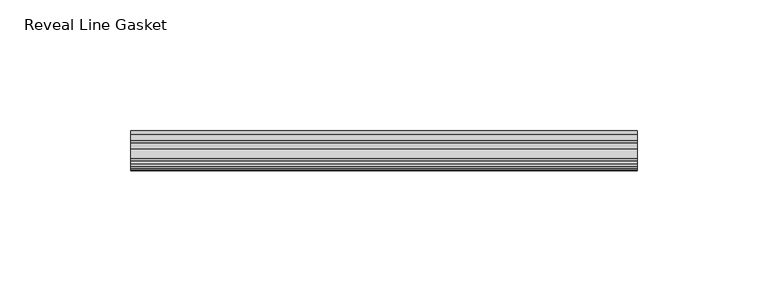
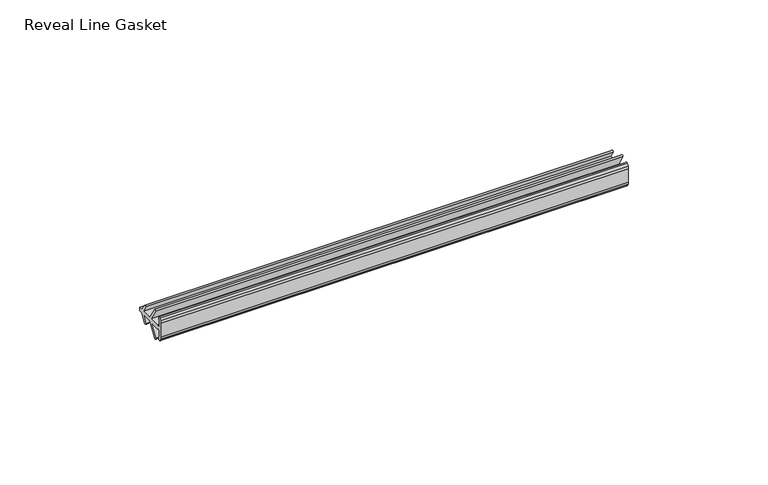
"""IFC4 building model written with IfcOpenShell, lengths in millimetres: furniture geometry, Reveal Line Gasket."""

from ifc_helpers import new_model, si_unit, point, frame, frame_2d, origin, place, context, project, spatial, polyline, circle_curve, trimmed, segment, composite_curve, outline, extrude, source, transform, mapped, element, save


def reveal_line_gasket_2765f8e8(model_context):
    return source(origin(), model_context, "Body", "SweptSolid", [
        extrude(outline(composite_curve([segment(polyline([(-7.6326998, 1603.2), (-7.4091917, 1604.1554927), (-6.8813059, 1605.0884684)]), True, "CONTINUOUS"), segment(trimmed(circle_curve(frame_2d((-6.5243141, 1604.8864793)), 0.4101739), [point((-6.8813059, 1605.0884684))], [point((-6.1246704, 1604.7941347))], False, "CARTESIAN"), True, "CONTINUOUS"), segment(polyline([(-6.1246704, 1604.7941347), (-6.3626997, 1603.0979086), (-6.3626997, 1601.0654527)]), True, "CONTINUOUS"), segment(trimmed(circle_curve(frame_2d((-5.6959605, 1601.4819258)), 0.786124), [point((-6.3626997, 1601.0654527))], [point((-5.0926996, 1600.977875))], True, "CARTESIAN"), True, "CONTINUOUS"), segment(polyline([(-5.0926996, 1600.977875), (-0.7492996, 1600.977875), (-3.7293824, 1606.1395295)]), True, "CONTINUOUS"), segment(trimmed(circle_curve(frame_2d((-3.3132479, 1606.2049761)), 0.4212495), [point((-3.7293824, 1606.1395295))], [point((-3.0485022, 1606.5326358))], False, "CARTESIAN"), True, "CONTINUOUS"), segment(polyline([(-3.0485022, 1606.5326358), (0.5742594, 1600.977875), (4.8262978, 1600.977875), (3.1660374, 1603.8535297)]), True, "CONTINUOUS"), segment(trimmed(circle_curve(frame_2d((3.5978728, 1603.9118855)), 0.4357605), [point((3.1660374, 1603.8535297))], [point((3.864328, 1604.2566881))], False, "CARTESIAN"), True, "CONTINUOUS"), segment(polyline([(3.864328, 1604.2566881), (6.1944059, 1600.977875), (7.6326998, 1600.977875), (7.6326998, 1599.422125), (6.1944059, 1599.422125), (3.864328, 1596.1433119)]), True, "CONTINUOUS"), segment(trimmed(circle_curve(frame_2d((3.5978728, 1596.4881145)), 0.4357605), [point((3.864328, 1596.1433119))], [point((3.1660374, 1596.5464703))], False, "CARTESIAN"), True, "CONTINUOUS"), segment(polyline([(3.1660374, 1596.5464703), (4.8262978, 1599.422125), (0.5742594, 1599.422125), (-3.0485022, 1593.8673642)]), True, "CONTINUOUS"), segment(trimmed(circle_curve(frame_2d((-3.3132479, 1594.1950239)), 0.4212495), [point((-3.0485022, 1593.8673642))], [point((-3.7293824, 1594.2604705))], False, "CARTESIAN"), True, "CONTINUOUS"), segment(polyline([(-3.7293824, 1594.2604705), (-0.7492996, 1599.422125), (-5.0926996, 1599.422125)]), True, "CONTINUOUS"), segment(trimmed(circle_curve(frame_2d((-5.6959605, 1598.9180742)), 0.786124), [point((-5.0926996, 1599.422125))], [point((-6.3626997, 1599.3345473))], True, "CARTESIAN"), True, "CONTINUOUS"), segment(polyline([(-6.3626997, 1599.3345473), (-6.3626997, 1597.3020914), (-6.1246704, 1595.6058653)]), True, "CONTINUOUS"), segment(trimmed(circle_curve(frame_2d((-6.5243141, 1595.5135207)), 0.4101739), [point((-6.1246704, 1595.6058653))], [point((-6.8813059, 1595.3115316))], False, "CARTESIAN"), True, "CONTINUOUS"), segment(polyline([(-6.8813059, 1595.3115316), (-7.4091917, 1596.2445073), (-7.6326998, 1597.2), (-7.6326998, 1603.2)]), True, "CONTINUOUS")], self_intersect=False)), frame((-96.6216, 0.0, 0.0), z_axis=(1.0, 0.0, 0.0), x_axis=(0.0, 1.0, 0.0)), (0.0, 0.0, 1.0), 193.2432),
    ])


if __name__ == "__main__":
    model = new_model("IFC4")
    model_context = context("Model", 3, world=origin())
    ifc_project = project(units=[si_unit("LENGTHUNIT", "METRE", prefix="MILLI")], contexts=[model_context])
    site = spatial("IfcSite", under=ifc_project)
    building = spatial("IfcBuilding", under=site)
    placement = place(None, origin())
    reveal_line_gasket_shape = reveal_line_gasket_2765f8e8(model_context)
    element("IfcFurniture", 1, ObjectType="Reveal Line Gasket", at=placement, inside=building, context=model_context, shape_type="MappedRepresentation", body=[
        mapped(reveal_line_gasket_shape, transform((0.0, 0.0, 0.0), x_axis=(1.0, 0.0, 0.0), y_axis=(0.0, 1.0, 0.0), z_axis=(0.0, 0.0, 1.0))),
    ])
    save(model, "model.ifc")
